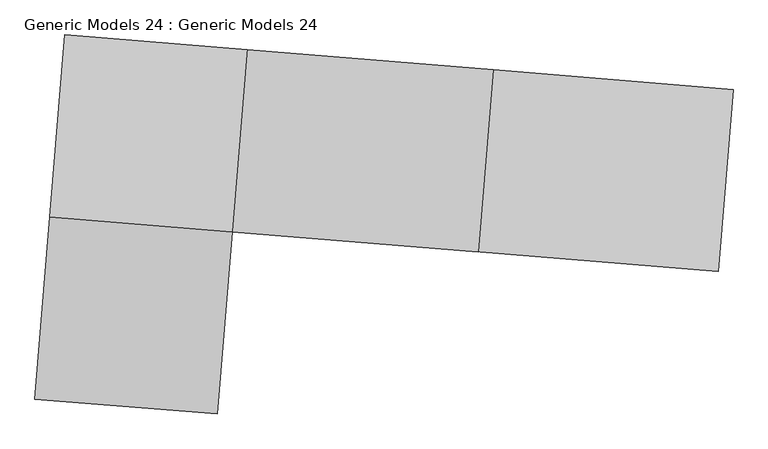
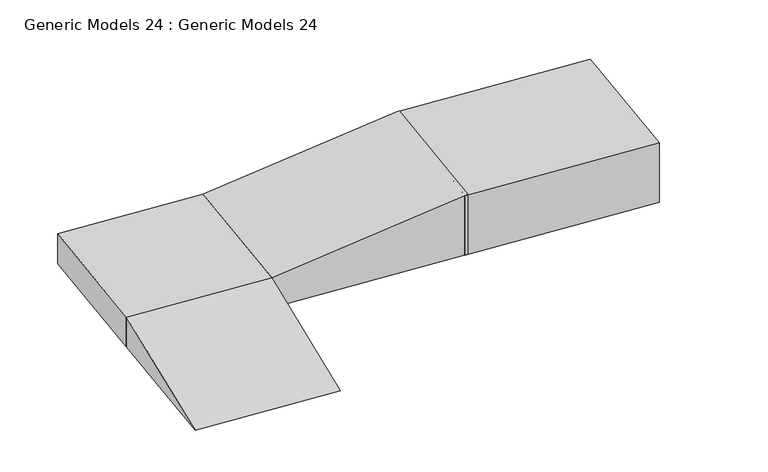
"""IFC4 building model written with IfcOpenShell, lengths in millimetres: proxy geometry, Generic Models 24 : Generic Models 24."""

from ifc_helpers import new_model, si_unit, frame, origin, origin_with_axes, place, context, project, spatial, polyline, outline, extrude, source, transform, mapped, element, save


def generic_models_24_generic_models_24_ef6ec84e(model_context):
    return source(origin(), model_context, "Body", "SweptSolid", [
        extrude(outline(polyline([(-267009.5447299, 5077.8742512), (-267132.0868295, 3582.3114758), (-268627.0767743, 3704.8066394), (-268504.5346746, 5200.3694148), (-267009.5447299, 5077.8742512)])), origin_with_axes(), (0.0, 0.0, 1.0), 341.1693351),
        extrude(outline(polyline([(3020.5316695, 0.0), (1557.2992477, -332.6792166), (1481.6615981, 0.0), (3020.5316695, 0.0)])), frame((-267014.1003103, 5022.2757542, 669.6554832), z_axis=(-0.9966599631655193, 0.08166344238951634, 0.0), x_axis=(-0.0796312190064976, -0.9718577307001929, -0.22170119584208534)), (0.0, 0.0, 1.0), 1500.0),
        extrude(outline(polyline([(-341.1693351, 0.0), (0.0, 0.0), (0.0, -2026.3215852), (-686.828729, -2026.3215852), (-341.1693351, 0.0)])), frame((-267132.0868295, 3582.3114758, 0.0), z_axis=(0.08166344238952104, 0.9966599631655189, 0.0), x_axis=(0.0, 0.0, -1.0)), (0.0, 0.0, 1.0), 1500.7602137),
        extrude(outline(polyline([(-263021.9712245, 4751.3300657), (-263144.5284698, 3255.5824464), (-265145.5988739, 3419.544383), (-264989.9759878, 4912.5826991), (-263021.9712245, 4751.3300657)])), origin_with_axes(), (0.0, 0.0, 1.0), 680.0),
    ])


if __name__ == "__main__":
    model = new_model("IFC4")
    model_context = context("Model", 3, world=origin())
    ifc_project = project(units=[si_unit("LENGTHUNIT", "METRE", prefix="MILLI")], contexts=[model_context])
    site = spatial("IfcSite", under=ifc_project)
    building = spatial("IfcBuilding", under=site)
    placement = place(None, origin())
    generic_models_24_generic_models_24_shape = generic_models_24_generic_models_24_ef6ec84e(model_context)
    element("IfcBuildingElementProxy", 1, Name="Generic Models 24 : Generic Models 24", ObjectType="Generic Models 24 : Generic Models 24", at=placement, inside=building, context=model_context, shape_type="MappedRepresentation", body=[
        mapped(generic_models_24_generic_models_24_shape, transform((0.0, 0.0, 0.0), x_axis=(1.0, 0.0, 0.0), y_axis=(0.0, 1.0, 0.0), z_axis=(0.0, 0.0, 1.0))),
    ])
    save(model, "model.ifc")
